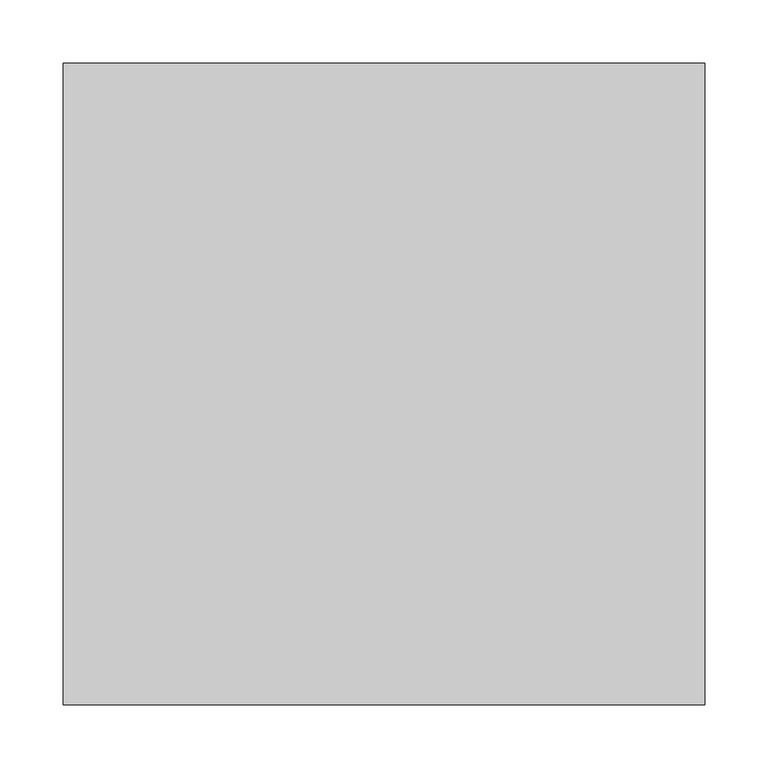
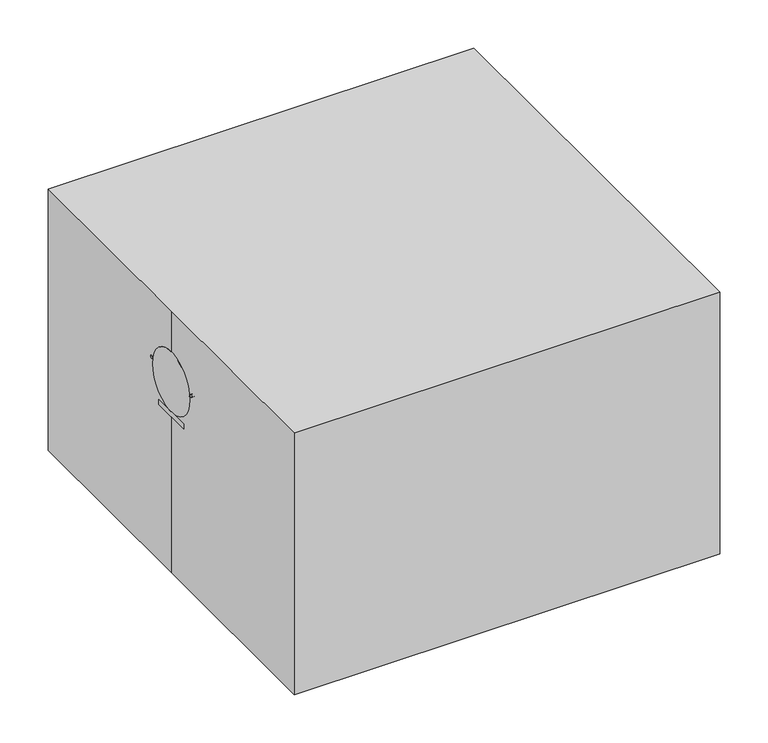
"""IFC4 building model written with IfcOpenShell, lengths in millimetres: proxy geometry."""

from ifc_helpers import new_model, si_unit, point, frame, frame_2d, origin, origin_with_axes, origin_2d, place, context, project, spatial, polyline, circle_curve, trimmed, segment, composite_curve, outline, extrude, source, transform, mapped, element, save
from ifc_brep_helpers import plane_surface, revolved_surface, advanced_brep


def specialty_equipment_9309495f(model_context):
    return source(origin(), model_context, "Body", "SolidModel", [
        extrude(outline(composite_curve([segment(trimmed(circle_curve(frame_2d((234.9579615, 0.0)), 12.7), [point((222.2579615, 0.0))], [point((247.6579615, 0.0))], False, "CARTESIAN"), True, "CONTINUOUS"), segment(trimmed(circle_curve(frame_2d((234.9579615, 0.0)), 12.7), [point((247.6579615, 0.0))], [point((222.2579615, 0.0))], False, "CARTESIAN"), True, "CONTINUOUS")], self_intersect=False)), frame((0.0, 0.0, 267.6154119), z_axis=(0.0, 0.0, 1.0), x_axis=(1.0, 0.0, 0.0)), (0.0, 0.0, 1.0), 50.8),
        extrude(outline(composite_curve([segment(trimmed(circle_curve(frame_2d((234.6518425, -0.7521123)), 3.1746941), [point((231.4771484, -0.7521123))], [point((237.8265365, -0.7521123))], False, "CARTESIAN"), True, "CONTINUOUS"), segment(trimmed(circle_curve(frame_2d((234.6518425, -0.7521123)), 3.1746941), [point((237.8265365, -0.7521123))], [point((231.4771484, -0.7521123))], False, "CARTESIAN"), True, "CONTINUOUS")], self_intersect=False)), frame((0.0, 0.0, 216.8154119), z_axis=(0.0, 0.0, 1.0), x_axis=(1.0, 0.0, 0.0)), (0.0, 0.0, 1.0), 50.8),
        extrude(outline(composite_curve([segment(trimmed(circle_curve(frame_2d((0.0, 247.65)), 12.7), [point((-12.7, 247.65))], [point((12.7, 247.65))], False, "CARTESIAN"), True, "CONTINUOUS"), segment(trimmed(circle_curve(frame_2d((0.0, 247.65)), 12.7), [point((12.7, 247.65))], [point((-12.7, 247.65))], False, "CARTESIAN"), True, "CONTINUOUS")], self_intersect=False)), frame((141.3239304, 0.0, 0.0), z_axis=(1.0, 0.0, 0.0), x_axis=(0.0, 1.0, 0.0)), (0.0, 0.0, 1.0), 25.4),
        extrude(outline(composite_curve([segment(trimmed(circle_curve(frame_2d((0.0, 247.65)), 3.175), [point((-3.175, 247.65))], [point((3.175, 247.65))], False, "CARTESIAN"), True, "CONTINUOUS"), segment(trimmed(circle_curve(frame_2d((0.0, 247.65)), 3.175), [point((3.175, 247.65))], [point((-3.175, 247.65))], False, "CARTESIAN"), True, "CONTINUOUS")], self_intersect=False)), frame((112.685127, 0.0, 0.0), z_axis=(1.0, 0.0, 0.0), x_axis=(0.0, 1.0, 0.0)), (0.0, 0.0, 1.0), 141.314873),
        extrude(outline(composite_curve([segment(trimmed(circle_curve(frame_2d((0.0, 247.65)), 31.75), [point((-31.75, 247.65))], [point((31.75, 247.65))], False, "CARTESIAN"), True, "CONTINUOUS"), segment(trimmed(circle_curve(frame_2d((0.0, 247.65)), 31.75), [point((31.75, 247.65))], [point((-31.75, 247.65))], False, "CARTESIAN"), True, "CONTINUOUS")], self_intersect=False)), frame((166.7239304, 0.0, 0.0), z_axis=(1.0, 0.0, 0.0), x_axis=(0.0, 1.0, 0.0)), (0.0, 0.0, 1.0), 29.711131),
        extrude(outline(polyline([(205.9600615, 7.9375), (217.4135587, 7.9375), (217.4135587, -7.9375), (205.9600615, -7.9375), (205.9600615, 7.9375)])), frame((0.0, 0.0, 196.85), z_axis=(0.0, 0.0, 1.0), x_axis=(1.0, 0.0, 0.0)), (0.0, 0.0, 1.0), 65.9615497),
        extrude(outline(composite_curve([segment(trimmed(circle_curve(frame_2d((40.7824566, 247.924825)), 1.7577142), [point((42.5401707, 247.924825))], [point((39.0247424, 247.924825))], False, "CARTESIAN"), True, "CONTINUOUS"), segment(trimmed(circle_curve(frame_2d((40.7824566, 247.924825)), 1.7577142), [point((39.0247424, 247.924825))], [point((42.5401707, 247.924825))], False, "CARTESIAN"), True, "CONTINUOUS")], self_intersect=False)), frame((-254.0, 0.0, 0.0), z_axis=(1.0, 0.0, 0.0), x_axis=(0.0, 1.0, 0.0)), (0.0, 0.0, 1.0), 50.8),
        extrude(outline(polyline([(-228.4548931, 19.05), (-228.4548931, 11.3745426), (-234.8048931, 11.3745426), (-234.8048931, 19.05), (-228.4548931, 19.05)])), frame((0.0, 0.0, 203.2), z_axis=(0.0, 0.0, 1.0), x_axis=(1.0, 0.0, 0.0)), (0.0, 0.0, 1.0), 59.6115497),
        extrude(outline(composite_curve([segment(trimmed(circle_curve(frame_2d((-40.7824566, 247.924825)), 1.7577142), [point((-42.5401707, 247.924825))], [point((-39.0247424, 247.924825))], False, "CARTESIAN"), True, "CONTINUOUS"), segment(trimmed(circle_curve(frame_2d((-40.7824566, 247.924825)), 1.7577142), [point((-39.0247424, 247.924825))], [point((-42.5401707, 247.924825))], False, "CARTESIAN"), True, "CONTINUOUS")], self_intersect=False)), frame((-254.0, 0.0, 0.0), z_axis=(1.0, 0.0, 0.0), x_axis=(0.0, 1.0, 0.0)), (0.0, 0.0, 1.0), 50.8),
        extrude(outline(polyline([(-228.4548931, -11.3745426), (-228.4548931, -19.05), (-234.8048931, -19.05), (-234.8048931, -11.3745426), (-228.4548931, -11.3745426)])), frame((0.0, 0.0, 203.2), z_axis=(0.0, 0.0, 1.0), x_axis=(1.0, 0.0, 0.0)), (0.0, 0.0, 1.0), 59.6115497),
        extrude(outline(polyline([(-190.5, -25.4), (-254.0, -25.4), (-254.0, 25.4), (-190.5, 25.4), (-190.5, -25.4)])), frame((0.0, 0.0, 196.85), z_axis=(0.0, 0.0, 1.0), x_axis=(1.0, 0.0, 0.0)), (0.0, 0.0, 1.0), 6.35),
        extrude(outline(composite_curve([segment(trimmed(circle_curve(frame_2d((0.0, 241.0311127)), 38.1), [point((-38.1, 241.0311127))], [point((38.1, 241.0311127))], False, "CARTESIAN"), True, "CONTINUOUS"), segment(trimmed(circle_curve(frame_2d((0.0, 241.0311127)), 38.1), [point((38.1, 241.0311127))], [point((-38.1, 241.0311127))], False, "CARTESIAN"), True, "CONTINUOUS")], self_intersect=False)), frame((-254.0, 0.0, 0.0), z_axis=(1.0, 0.0, 0.0), x_axis=(0.0, 1.0, 0.0)), (0.0, 0.0, 1.0), 6.35),
        extrude(outline(composite_curve([segment(trimmed(circle_curve(frame_2d((-177.5329441, 0.0)), 44.45), [point((-221.9829441, 0.0))], [point((-133.0829441, 0.0))], False, "CARTESIAN"), True, "CONTINUOUS"), segment(trimmed(circle_curve(frame_2d((-177.5329441, 0.0)), 44.45), [point((-133.0829441, 0.0))], [point((-221.9829441, 0.0))], False, "CARTESIAN"), True, "CONTINUOUS")], self_intersect=False)), frame((0.0, 0.0, 203.2), z_axis=(0.0, 0.0, 1.0), x_axis=(1.0, 0.0, 0.0)), (0.0, 0.0, 1.0), 6.35),
        extrude(outline(composite_curve([segment(trimmed(circle_curve(frame_2d((-152.1329441, 0.0)), 25.4), [point((-177.5329441, 0.0))], [point((-126.7329441, 0.0))], False, "CARTESIAN"), True, "CONTINUOUS"), segment(trimmed(circle_curve(frame_2d((-152.1329441, 0.0)), 25.4), [point((-126.7329441, 0.0))], [point((-177.5329441, 0.0))], False, "CARTESIAN"), True, "CONTINUOUS")], self_intersect=False)), frame((0.0, 0.0, 171.45), z_axis=(0.0, 0.0, 1.0), x_axis=(1.0, 0.0, 0.0)), (0.0, 0.0, 1.0), 31.75),
        extrude(outline(polyline([(217.4135587, 7.9375), (217.4135587, -7.9375), (-126.7329441, -7.9375), (-126.7329441, 7.9375), (217.4135587, 7.9375)])), frame((0.0, 0.0, 177.8), z_axis=(0.0, 0.0, 1.0), x_axis=(1.0, 0.0, 0.0)), (0.0, 0.0, 1.0), 19.05),
        extrude(outline(composite_curve([segment(trimmed(circle_curve(origin_2d(), 12.7), [point((-12.7, 0.0))], [point((12.7, 0.0))], False, "CARTESIAN"), True, "CONTINUOUS"), segment(trimmed(circle_curve(origin_2d(), 12.7), [point((12.7, 0.0))], [point((-12.7, 0.0))], False, "CARTESIAN"), True, "CONTINUOUS")], self_intersect=False)), frame((0.0, 0.0, 165.1), z_axis=(0.0, 0.0, 1.0), x_axis=(1.0, 0.0, 0.0)), (0.0, 0.0, 1.0), 50.8),
        advanced_brep(
        [(-12.7, 0.0, 165.1), (12.7, 0.0, 165.1), (-76.2, 0.0, 114.3), (76.2, 0.0, 114.3)],
        [
            (0, 1, circle_curve(frame((0.0, 0.0, 165.1), z_axis=(0.0, 0.0, 1.0), x_axis=(-1.0, 0.0, 0.0)), 12.7)),
            (1, 0, circle_curve(frame((0.0, 0.0, 165.1), z_axis=(0.0, 0.0, 1.0), x_axis=(1.0, 0.0, 0.0)), 12.7)),
            (2, 3, circle_curve(frame((0.0, 0.0, 114.3), z_axis=(0.0, 0.0, -1.0), x_axis=(1.0, 0.0, 0.0)), 76.2)),
            (3, 2, circle_curve(frame((0.0, 0.0, 114.3), z_axis=(0.0, 0.0, -1.0), x_axis=(-1.0, 0.0, 0.0)), 76.2)),
            (3, 1),
            (0, 2),
        ],
        [
            plane_surface(frame((0.0, 0.0, 165.1), z_axis=(0.0, 0.0, 1.0), x_axis=(0.0, -1.0, 0.0))),
            plane_surface(frame((0.0, 0.0, 114.3), z_axis=(0.0, 0.0, -1.0), x_axis=(0.0, -1.0, 0.0))),
            revolved_surface(polyline([(-12.699999999999998, 0.0, 165.1), (-76.2, 0.0, 114.3)]), (0.0, 0.0, 175.26), (0.0, 0.0, -1.0)),
            revolved_surface(polyline([(12.699999999999998, 0.0, 165.1), (76.2, 0.0, 114.3)]), (0.0, 0.0, 175.26), (0.0, 0.0, -1.0)),
        ],
        [
            (0, [[1, 2]]),
            (1, [[3, 4]]),
            (2, [[-4, 5, -1, 6]]),
            (3, [[-3, -6, -2, -5]]),
        ],
    ),
        extrude(outline(composite_curve([segment(trimmed(circle_curve(origin_2d(), 76.2), [point((-76.2, 0.0))], [point((76.2, 0.0))], False, "CARTESIAN"), True, "CONTINUOUS"), segment(trimmed(circle_curve(origin_2d(), 76.2), [point((76.2, 0.0))], [point((-76.2, 0.0))], False, "CARTESIAN"), True, "CONTINUOUS")], self_intersect=False)), frame((0.0, 0.0, 12.7), z_axis=(0.0, 0.0, 1.0), x_axis=(1.0, 0.0, 0.0)), (0.0, 0.0, 1.0), 101.6),
        extrude(outline(composite_curve([segment(trimmed(circle_curve(origin_2d(), 101.6), [point((-101.6, 0.0))], [point((101.6, 0.0))], False, "CARTESIAN"), True, "CONTINUOUS"), segment(trimmed(circle_curve(origin_2d(), 101.6), [point((101.6, 0.0))], [point((-101.6, 0.0))], False, "CARTESIAN"), True, "CONTINUOUS")], self_intersect=False)), origin_with_axes(), (0.0, 0.0, 1.0), 12.7),
        extrude(outline(polyline([(-254.0, 254.0), (254.0, 254.0), (254.0, -254.0), (-254.0, -254.0), (-254.0, 0.0), (-254.0, 254.0)])), origin_with_axes(), (0.0, 0.0, 1.0), 330.2),
    ])


if __name__ == "__main__":
    model = new_model("IFC4")
    model_context = context("Model", 3, world=origin())
    ifc_project = project(units=[si_unit("LENGTHUNIT", "METRE", prefix="MILLI")], contexts=[model_context])
    site = spatial("IfcSite", under=ifc_project)
    building = spatial("IfcBuilding", under=site)
    placement = place(None, origin())
    specialty_equipment_shape = specialty_equipment_9309495f(model_context)
    element("IfcBuildingElementProxy", 1, Name="Specialty Equipment", at=placement, inside=building, context=model_context, shape_type="MappedRepresentation", body=[
        mapped(specialty_equipment_shape, transform((0.0, 0.0, 0.0), x_axis=(1.0, 0.0, 0.0), y_axis=(0.0, 1.0, 0.0), z_axis=(0.0, 0.0, 1.0))),
    ])
    save(model, "model.ifc")
